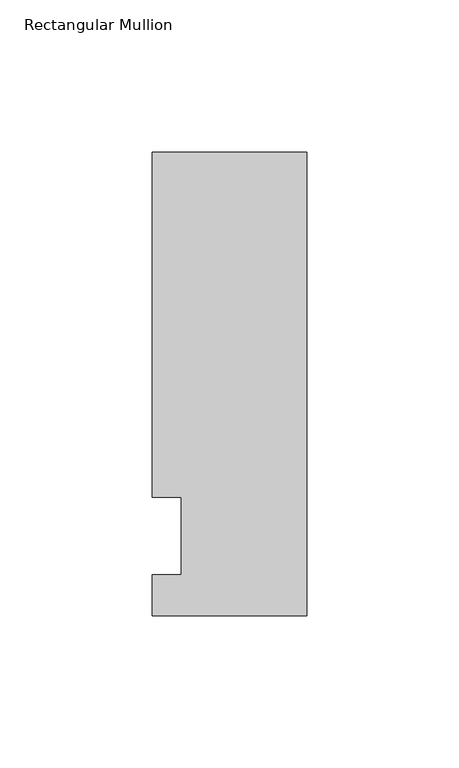
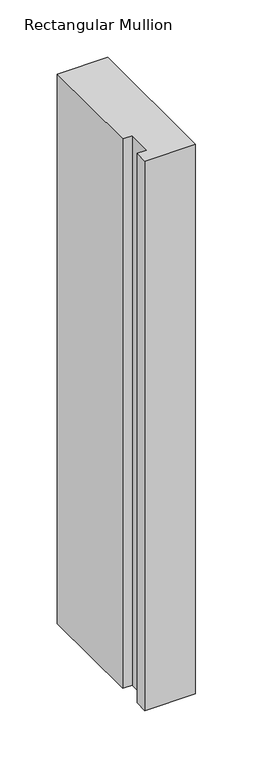
"""IFC4 building model written with IfcOpenShell, lengths in millimetres: member geometry, Rectangular Mullion."""

import ifcopenshell
import ifcopenshell.guid

model = None  # the IFC model being written
_history = None  # IfcOwnerHistory: only IFC2X3 demands one
_inside = {}  # id of a spatial element -> (the spatial element, [elements in it])
_under = {}  # id of a project, library or spatial element -> (it, [spatial elements below it])
_declared = {}  # id of a project -> (the project, [libraries it declares])
_typed = {}  # id of a type object -> (the type object, [elements of that type])
_made_of = {}  # id of a material, layer set ... -> (it, [elements and type objects made of it])


def new_model(schema):
    """Start an empty IFC model of exactly this schema.

    Asked for "IFC4X3", IfcOpenShell would pick the latest addendum, in which some entities
    have other attributes; the version numbers below select the first issue.
    IFC2X3 requires an IfcOwnerHistory on every rooted entity: one is made here for all.
    """
    global model, _history
    if schema == "IFC4X3":
        model = ifcopenshell.file(schema_version=(4, 3, 0, 0))
    else:
        model = ifcopenshell.file(schema=schema)
    _inside.clear()
    _under.clear()
    _declared.clear()
    _typed.clear()
    _made_of.clear()
    _history = None
    if model.schema == "IFC2X3":
        org = make("IfcOrganization", Name="unknown")
        user = make(
            "IfcPersonAndOrganization",
            ThePerson=make("IfcPerson", FamilyName="unknown"),
            TheOrganization=org,
        )
        app = make(
            "IfcApplication",
            ApplicationDeveloper=org,
            Version="unknown",
            ApplicationFullName="unknown",
            ApplicationIdentifier="unknown",
        )
        _history = make(
            "IfcOwnerHistory",
            OwningUser=user,
            OwningApplication=app,
            ChangeAction="ADDED",
            CreationDate=0,
        )
    return model


def make(cls, **values):
    """One entity of the class cls with the attributes given. An attribute that is None is left unset."""
    return model.create_entity(
        cls, **{name: value for name, value in values.items() if value is not None}
    )


def rooted(cls, **values):
    """An entity with a GlobalId (a new one), such as an element, a storey or a relation."""
    return make(cls, GlobalId=ifcopenshell.guid.new(), OwnerHistory=_history, **values)


def si_unit(unit_type, name, prefix=None):
    """IfcSIUnit, for example si_unit("LENGTHUNIT", "METRE", prefix="MILLI")."""
    return make("IfcSIUnit", UnitType=unit_type, Prefix=prefix, Name=name)


def assignment(units):
    """IfcUnitAssignment: the units of a project."""
    return None if units is None else make("IfcUnitAssignment", Units=units)


def point(xyz):
    """IfcCartesianPoint."""
    return None if xyz is None else make("IfcCartesianPoint", Coordinates=xyz)


def direction(xyz):
    """IfcDirection."""
    return None if xyz is None else make("IfcDirection", DirectionRatios=xyz)


def frame(location, z_axis=None, x_axis=None):
    """IfcAxis2Placement3D, a coordinate frame: its origin and axes. An axis left out is left unset."""
    return make(
        "IfcAxis2Placement3D",
        Location=point(location),
        Axis=direction(z_axis),
        RefDirection=direction(x_axis),
    )


def origin():
    """The frame at (0, 0, 0) with its axes left unset."""
    return frame((0.0, 0.0, 0.0))


def place(relative_to, where):
    """IfcLocalPlacement: puts the frame where relative to a parent placement (None: the world)."""
    return make(
        "IfcLocalPlacement", PlacementRelTo=relative_to, RelativePlacement=where
    )


def context(
    kind, dimensions, precision=None, world=None, true_north=None, identifier=None
):
    """IfcGeometricRepresentationContext, for example the 3D "Model" context."""
    return make(
        "IfcGeometricRepresentationContext",
        ContextIdentifier=identifier,
        ContextType=kind,
        CoordinateSpaceDimension=dimensions,
        Precision=precision,
        WorldCoordinateSystem=world,
        TrueNorth=true_north,
    )


def project(units=None, contexts=None):
    """IfcProject with its units and contexts."""
    return rooted(
        "IfcProject",
        Name="project",
        RepresentationContexts=contexts,
        UnitsInContext=assignment(units),
    )


def spatial(cls, under=None, at=None, **own):
    """A site, building, storey or space (cls), placed at a placement, below another one or the project."""
    s = rooted(cls, ObjectPlacement=at, **own)
    if under is not None:
        _under.setdefault(under.id(), (under, []))[1].append(s)
    return s


def polyline(points):
    """IfcPolyline through the points."""
    return make("IfcPolyline", Points=[point(p) for p in points])


def outline(outer, holes=None, kind="AREA"):
    """IfcArbitraryClosedProfileDef: a profile drawn as a closed curve; with holes, ...WithVoids."""
    if holes is None:
        return make("IfcArbitraryClosedProfileDef", ProfileType=kind, OuterCurve=outer)
    return make(
        "IfcArbitraryProfileDefWithVoids",
        ProfileType=kind,
        OuterCurve=outer,
        InnerCurves=holes,
    )


def extrude(swept, where, along, depth):
    """IfcExtrudedAreaSolid: the profile swept, set in the frame where, extruded along a direction by depth."""
    return make(
        "IfcExtrudedAreaSolid",
        SweptArea=swept,
        Position=where,
        ExtrudedDirection=direction(along),
        Depth=depth,
    )


def shape(context_of_items, identifier, shape_type, items):
    """IfcShapeRepresentation: the items that make up one representation, for example the "Body"."""
    return make(
        "IfcShapeRepresentation",
        ContextOfItems=context_of_items,
        RepresentationIdentifier=identifier,
        RepresentationType=shape_type,
        Items=items,
    )


def source(mapping_origin, context_of_items, identifier, shape_type, items):
    """IfcRepresentationMap: a shape defined once, which mapped items show again and again."""
    return make(
        "IfcRepresentationMap",
        MappingOrigin=mapping_origin,
        MappedRepresentation=shape(context_of_items, identifier, shape_type, items),
    )


def transform(
    local_origin,
    x_axis=None,
    y_axis=None,
    z_axis=None,
    scale=None,
    scale2=None,
    scale3=None,
    uniform=True,
):
    """IfcCartesianTransformationOperator3D, or its non-uniform kind. x_axis, y_axis, z_axis: its Axis1, 2, 3."""
    if uniform:
        return make(
            "IfcCartesianTransformationOperator3D",
            Axis1=direction(x_axis),
            Axis2=direction(y_axis),
            LocalOrigin=point(local_origin),
            Scale=scale,
            Axis3=direction(z_axis),
        )
    return make(
        "IfcCartesianTransformationOperator3DnonUniform",
        Axis1=direction(x_axis),
        Axis2=direction(y_axis),
        LocalOrigin=point(local_origin),
        Scale=scale,
        Axis3=direction(z_axis),
        Scale2=scale2,
        Scale3=scale3,
    )


def mapped(mapping_source, mapping_target):
    """IfcMappedItem: shows the shape of a source again, moved by a transform."""
    return make(
        "IfcMappedItem", MappingSource=mapping_source, MappingTarget=mapping_target
    )


def made_of(thing, what):
    """Note that an element or type object is made of a material, layer set ...; save() writes the relation."""
    if what is not None:
        _made_of.setdefault(what.id(), (what, []))[1].append(thing)
    return thing


def element(
    cls,
    number,
    at=None,
    inside=None,
    cuts=None,
    type_object=None,
    material=None,
    context=None,
    identifier="Body",
    shape_type=None,
    held_by="IfcProductDefinitionShape",
    body=None,
    shapes=None,
    **own,
):
    """One element of the class cls, such as IfcWall. Its Tag is "e" and its number.

    at: its placement. inside: the storey or other place that contains it. cuts: it is an
    opening in that element (IfcRelVoidsElement). A single representation is given by context,
    identifier, shape_type and body (its items); several are given by shapes. held_by: the class
    of the entity that holds the representations. save() writes the other relations.
    """
    e = rooted(cls, Tag="e%d" % number, ObjectPlacement=at, **own)
    if body is not None:
        shapes = [shape(context, identifier, shape_type, body)]
    if shapes is not None:
        e.Representation = make(held_by, Representations=shapes)
    if inside is not None:
        _inside.setdefault(inside.id(), (inside, []))[1].append(e)
    if cuts is not None:
        rooted(
            "IfcRelVoidsElement", RelatingBuildingElement=cuts, RelatedOpeningElement=e
        )
    if type_object is not None:
        _typed.setdefault(type_object.id(), (type_object, []))[1].append(e)
    return made_of(e, material)


def aggregate(whole, parts):
    """IfcRelAggregates: a whole, such as a stair, and the parts it consists of."""
    return rooted("IfcRelAggregates", RelatingObject=whole, RelatedObjects=parts)


def save(model, path):
    """Write the relations noted so far, then the file.

    IfcRelAggregates (storeys below a building ...), IfcRelContainedInSpatialStructure (elements
    in a storey), IfcRelDefinesByType, IfcRelAssociatesMaterial and IfcRelDeclares: one each for
    every whole, place, type object, material and project.
    """
    for whole, parts in _under.values():
        aggregate(whole, parts)
    for where, things in _inside.values():
        rooted(
            "IfcRelContainedInSpatialStructure",
            RelatedElements=things,
            RelatingStructure=where,
        )
    for kind, things in _typed.values():
        rooted("IfcRelDefinesByType", RelatedObjects=things, RelatingType=kind)
    for what, things in _made_of.values():
        rooted("IfcRelAssociatesMaterial", RelatedObjects=things, RelatingMaterial=what)
    for by, libraries in _declared.values():
        rooted("IfcRelDeclares", RelatingContext=by, RelatedDefinitions=libraries)
    model.write(path)


def rectangular_mullion_e71a6149(model_context):
    return source(origin(), model_context, "Body", "SweptSolid", [
        extrude(outline(polyline([(-25.4, 126.20625), (25.4, 126.20625), (25.4, -26.19375), (-25.4, -26.19375), (-25.4, -12.7), (-15.875, -12.7), (-15.875, 12.7), (-25.4, 12.7), (-25.4, 126.20625)])), frame((0.0, 0.0, -584.2), z_axis=(0.0, 0.0, 1.0), x_axis=(1.0, 0.0, 0.0)), (0.0, 0.0, 1.0), 584.2),
    ])


if __name__ == "__main__":
    model = new_model("IFC4")
    model_context = context("Model", 3, world=origin())
    ifc_project = project(units=[si_unit("LENGTHUNIT", "METRE", prefix="MILLI")], contexts=[model_context])
    site = spatial("IfcSite", under=ifc_project)
    building = spatial("IfcBuilding", under=site)
    placement = place(None, origin())
    rectangular_mullion_shape = rectangular_mullion_e71a6149(model_context)
    element("IfcMember", 1, ObjectType="Rectangular Mullion", at=placement, inside=building, context=model_context, shape_type="MappedRepresentation", body=[
        mapped(rectangular_mullion_shape, transform((0.0, 0.0, 0.0), x_axis=(1.0, 0.0, 0.0), y_axis=(0.0, 1.0, 0.0), z_axis=(0.0, 0.0, 1.0))),
    ])
    save(model, "model.ifc")
